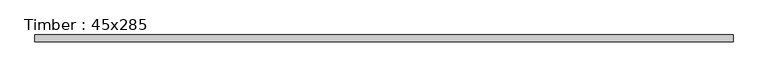
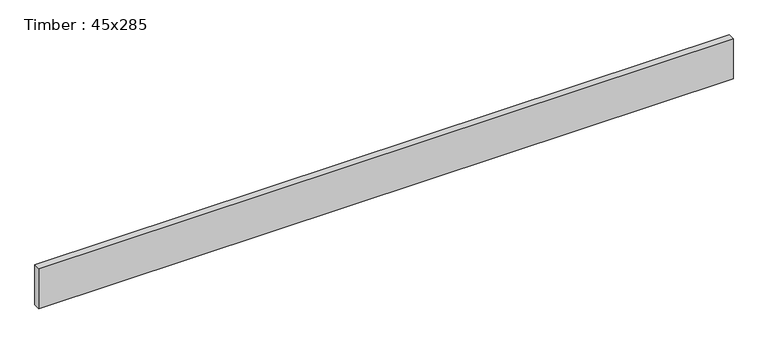
"""IFC4 building model written with IfcOpenShell, lengths in millimetres: beam geometry, Timber : 45x285."""

from ifc_helpers import new_model, si_unit, frame, origin, place, context, project, spatial, polyline, outline, extrude, source, transform, mapped, element, save


def timber_45x285_e81fe550(model_context):
    return source(origin(), model_context, "Body", "SweptSolid", [
        extrude(outline(polyline([(2343.0, 22.5), (2343.0, -22.5), (-2343.0, -22.5), (-2343.0, 22.5), (2343.0, 22.5)])), frame((0.0, 0.0, -142.5), z_axis=(0.0, 0.0, 1.0), x_axis=(1.0, 0.0, 0.0)), (0.0, 0.0, 1.0), 285.0),
    ])


if __name__ == "__main__":
    model = new_model("IFC4")
    model_context = context("Model", 3, world=origin())
    ifc_project = project(units=[si_unit("LENGTHUNIT", "METRE", prefix="MILLI")], contexts=[model_context])
    site = spatial("IfcSite", under=ifc_project)
    building = spatial("IfcBuilding", under=site)
    placement = place(None, origin())
    timber_45x285_shape = timber_45x285_e81fe550(model_context)
    element("IfcBeam", 1, ObjectType="Timber : 45x285", at=placement, inside=building, context=model_context, shape_type="MappedRepresentation", body=[
        mapped(timber_45x285_shape, transform((0.0, 0.0, 0.0), x_axis=(1.0, 0.0, 0.0), y_axis=(0.0, 1.0, 0.0), z_axis=(0.0, 0.0, 1.0))),
    ])
    save(model, "model.ifc")
